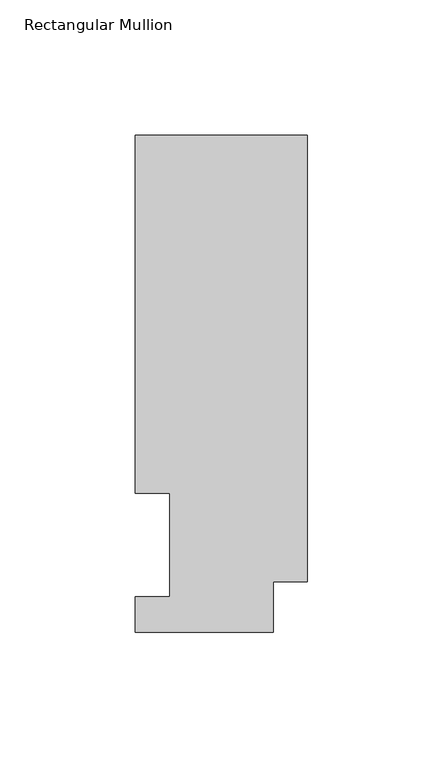
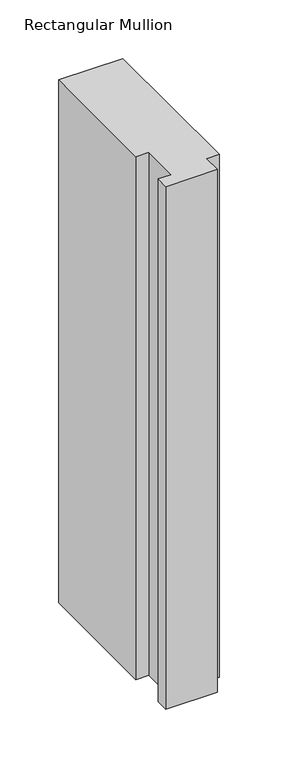
"""IFC4 building model written with IfcOpenShell, lengths in millimetres: member geometry, Rectangular Mullion."""

from ifc_helpers import new_model, si_unit, frame, origin, place, context, project, spatial, polyline, outline, extrude, source, transform, mapped, element, save


def rectangular_mullion_966b5812(model_context):
    return source(origin(), model_context, "Body", "SweptSolid", [
        extrude(outline(polyline([(0.0, 18.7332937), (-12.7, 18.7332937), (-12.7, 0.0134937), (-63.5, 0.0134937), (-63.5, 13.1960938), (-50.8, 13.1960938), (-50.8, 51.2960937), (-63.5, 51.2960937), (-63.5, 183.4446737), (0.0, 183.4446737), (0.0, 18.7332937)])), frame((0.0, 0.0, -545.357143), z_axis=(0.0, 0.0, 1.0), x_axis=(1.0, 0.0, 0.0)), (0.0, 0.0, 1.0), 545.357143),
    ])


if __name__ == "__main__":
    model = new_model("IFC4")
    model_context = context("Model", 3, world=origin())
    ifc_project = project(units=[si_unit("LENGTHUNIT", "METRE", prefix="MILLI")], contexts=[model_context])
    site = spatial("IfcSite", under=ifc_project)
    building = spatial("IfcBuilding", under=site)
    placement = place(None, origin())
    rectangular_mullion_shape = rectangular_mullion_966b5812(model_context)
    element("IfcMember", 1, ObjectType="Rectangular Mullion", at=placement, inside=building, context=model_context, shape_type="MappedRepresentation", body=[
        mapped(rectangular_mullion_shape, transform((0.0, 0.0, 0.0), x_axis=(1.0, 0.0, 0.0), y_axis=(0.0, 1.0, 0.0), z_axis=(0.0, 0.0, 1.0))),
    ])
    save(model, "model.ifc")
